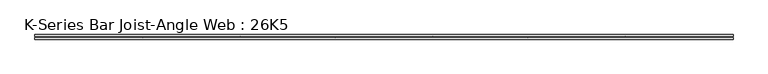
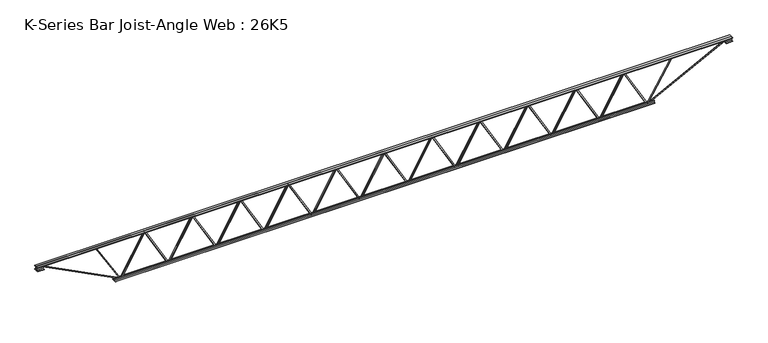
"""IFC4 building model written with IfcOpenShell, lengths in millimetres: beam geometry, K-Series Bar Joist-Angle Web : 26K5."""

import ifcopenshell
import ifcopenshell.guid

model = None  # the IFC model being written
_history = None  # IfcOwnerHistory: only IFC2X3 demands one
_inside = {}  # id of a spatial element -> (the spatial element, [elements in it])
_under = {}  # id of a project, library or spatial element -> (it, [spatial elements below it])
_declared = {}  # id of a project -> (the project, [libraries it declares])
_typed = {}  # id of a type object -> (the type object, [elements of that type])
_made_of = {}  # id of a material, layer set ... -> (it, [elements and type objects made of it])


def new_model(schema):
    """Start an empty IFC model of exactly this schema.

    Asked for "IFC4X3", IfcOpenShell would pick the latest addendum, in which some entities
    have other attributes; the version numbers below select the first issue.
    IFC2X3 requires an IfcOwnerHistory on every rooted entity: one is made here for all.
    """
    global model, _history
    if schema == "IFC4X3":
        model = ifcopenshell.file(schema_version=(4, 3, 0, 0))
    else:
        model = ifcopenshell.file(schema=schema)
    _inside.clear()
    _under.clear()
    _declared.clear()
    _typed.clear()
    _made_of.clear()
    _history = None
    if model.schema == "IFC2X3":
        org = make("IfcOrganization", Name="unknown")
        user = make(
            "IfcPersonAndOrganization",
            ThePerson=make("IfcPerson", FamilyName="unknown"),
            TheOrganization=org,
        )
        app = make(
            "IfcApplication",
            ApplicationDeveloper=org,
            Version="unknown",
            ApplicationFullName="unknown",
            ApplicationIdentifier="unknown",
        )
        _history = make(
            "IfcOwnerHistory",
            OwningUser=user,
            OwningApplication=app,
            ChangeAction="ADDED",
            CreationDate=0,
        )
    return model


def make(cls, **values):
    """One entity of the class cls with the attributes given. An attribute that is None is left unset."""
    return model.create_entity(
        cls, **{name: value for name, value in values.items() if value is not None}
    )


def rooted(cls, **values):
    """An entity with a GlobalId (a new one), such as an element, a storey or a relation."""
    return make(cls, GlobalId=ifcopenshell.guid.new(), OwnerHistory=_history, **values)


def si_unit(unit_type, name, prefix=None):
    """IfcSIUnit, for example si_unit("LENGTHUNIT", "METRE", prefix="MILLI")."""
    return make("IfcSIUnit", UnitType=unit_type, Prefix=prefix, Name=name)


def assignment(units):
    """IfcUnitAssignment: the units of a project."""
    return None if units is None else make("IfcUnitAssignment", Units=units)


def point(xyz):
    """IfcCartesianPoint."""
    return None if xyz is None else make("IfcCartesianPoint", Coordinates=xyz)


def direction(xyz):
    """IfcDirection."""
    return None if xyz is None else make("IfcDirection", DirectionRatios=xyz)


def frame(location, z_axis=None, x_axis=None):
    """IfcAxis2Placement3D, a coordinate frame: its origin and axes. An axis left out is left unset."""
    return make(
        "IfcAxis2Placement3D",
        Location=point(location),
        Axis=direction(z_axis),
        RefDirection=direction(x_axis),
    )


def origin():
    """The frame at (0, 0, 0) with its axes left unset."""
    return frame((0.0, 0.0, 0.0))


def place(relative_to, where):
    """IfcLocalPlacement: puts the frame where relative to a parent placement (None: the world)."""
    return make(
        "IfcLocalPlacement", PlacementRelTo=relative_to, RelativePlacement=where
    )


def context(
    kind, dimensions, precision=None, world=None, true_north=None, identifier=None
):
    """IfcGeometricRepresentationContext, for example the 3D "Model" context."""
    return make(
        "IfcGeometricRepresentationContext",
        ContextIdentifier=identifier,
        ContextType=kind,
        CoordinateSpaceDimension=dimensions,
        Precision=precision,
        WorldCoordinateSystem=world,
        TrueNorth=true_north,
    )


def project(units=None, contexts=None):
    """IfcProject with its units and contexts."""
    return rooted(
        "IfcProject",
        Name="project",
        RepresentationContexts=contexts,
        UnitsInContext=assignment(units),
    )


def spatial(cls, under=None, at=None, **own):
    """A site, building, storey or space (cls), placed at a placement, below another one or the project."""
    s = rooted(cls, ObjectPlacement=at, **own)
    if under is not None:
        _under.setdefault(under.id(), (under, []))[1].append(s)
    return s


def polyline(points):
    """IfcPolyline through the points."""
    return make("IfcPolyline", Points=[point(p) for p in points])


def outline(outer, holes=None, kind="AREA"):
    """IfcArbitraryClosedProfileDef: a profile drawn as a closed curve; with holes, ...WithVoids."""
    if holes is None:
        return make("IfcArbitraryClosedProfileDef", ProfileType=kind, OuterCurve=outer)
    return make(
        "IfcArbitraryProfileDefWithVoids",
        ProfileType=kind,
        OuterCurve=outer,
        InnerCurves=holes,
    )


def extrude(swept, where, along, depth):
    """IfcExtrudedAreaSolid: the profile swept, set in the frame where, extruded along a direction by depth."""
    return make(
        "IfcExtrudedAreaSolid",
        SweptArea=swept,
        Position=where,
        ExtrudedDirection=direction(along),
        Depth=depth,
    )


def faces_of(points, faces, orient=None, outer=None):
    """IfcFace entities. A face is a list of loops; a loop is a list of indices into points, from 0.

    orient and outer hold one flag for each loop. By default every Orientation is true, the
    first loop of a face is its IfcFaceOuterBound and the others are IfcFaceBound.
    """
    made = []
    for i, loops in enumerate(faces):
        bounds = []
        for j, loop in enumerate(loops):
            is_outer = j == 0 if outer is None else outer[i][j]
            bounds.append(
                make(
                    "IfcFaceOuterBound" if is_outer else "IfcFaceBound",
                    Bound=make("IfcPolyLoop", Polygon=[points[k] for k in loop]),
                    Orientation=True if orient is None else orient[i][j],
                )
            )
        made.append(make("IfcFace", Bounds=bounds))
    return made


def faceted_brep(points, faces, orient=None, outer=None, voids=None):
    """IfcFacetedBrep: a solid bounded by flat faces; with voids (closed shells), ...WithVoids."""
    shared = [point(p) for p in points]
    hull = make("IfcClosedShell", CfsFaces=faces_of(shared, faces, orient, outer))
    if voids is None:
        return make("IfcFacetedBrep", Outer=hull)
    return make(
        "IfcFacetedBrepWithVoids",
        Outer=hull,
        Voids=[
            make(cls, CfsFaces=faces_of(shared, fs, o, b)) for cls, fs, o, b in voids
        ],
    )


def shape(context_of_items, identifier, shape_type, items):
    """IfcShapeRepresentation: the items that make up one representation, for example the "Body"."""
    return make(
        "IfcShapeRepresentation",
        ContextOfItems=context_of_items,
        RepresentationIdentifier=identifier,
        RepresentationType=shape_type,
        Items=items,
    )


def source(mapping_origin, context_of_items, identifier, shape_type, items):
    """IfcRepresentationMap: a shape defined once, which mapped items show again and again."""
    return make(
        "IfcRepresentationMap",
        MappingOrigin=mapping_origin,
        MappedRepresentation=shape(context_of_items, identifier, shape_type, items),
    )


def transform(
    local_origin,
    x_axis=None,
    y_axis=None,
    z_axis=None,
    scale=None,
    scale2=None,
    scale3=None,
    uniform=True,
):
    """IfcCartesianTransformationOperator3D, or its non-uniform kind. x_axis, y_axis, z_axis: its Axis1, 2, 3."""
    if uniform:
        return make(
            "IfcCartesianTransformationOperator3D",
            Axis1=direction(x_axis),
            Axis2=direction(y_axis),
            LocalOrigin=point(local_origin),
            Scale=scale,
            Axis3=direction(z_axis),
        )
    return make(
        "IfcCartesianTransformationOperator3DnonUniform",
        Axis1=direction(x_axis),
        Axis2=direction(y_axis),
        LocalOrigin=point(local_origin),
        Scale=scale,
        Axis3=direction(z_axis),
        Scale2=scale2,
        Scale3=scale3,
    )


def mapped(mapping_source, mapping_target):
    """IfcMappedItem: shows the shape of a source again, moved by a transform."""
    return make(
        "IfcMappedItem", MappingSource=mapping_source, MappingTarget=mapping_target
    )


def made_of(thing, what):
    """Note that an element or type object is made of a material, layer set ...; save() writes the relation."""
    if what is not None:
        _made_of.setdefault(what.id(), (what, []))[1].append(thing)
    return thing


def element(
    cls,
    number,
    at=None,
    inside=None,
    cuts=None,
    type_object=None,
    material=None,
    context=None,
    identifier="Body",
    shape_type=None,
    held_by="IfcProductDefinitionShape",
    body=None,
    shapes=None,
    **own,
):
    """One element of the class cls, such as IfcWall. Its Tag is "e" and its number.

    at: its placement. inside: the storey or other place that contains it. cuts: it is an
    opening in that element (IfcRelVoidsElement). A single representation is given by context,
    identifier, shape_type and body (its items); several are given by shapes. held_by: the class
    of the entity that holds the representations. save() writes the other relations.
    """
    e = rooted(cls, Tag="e%d" % number, ObjectPlacement=at, **own)
    if body is not None:
        shapes = [shape(context, identifier, shape_type, body)]
    if shapes is not None:
        e.Representation = make(held_by, Representations=shapes)
    if inside is not None:
        _inside.setdefault(inside.id(), (inside, []))[1].append(e)
    if cuts is not None:
        rooted(
            "IfcRelVoidsElement", RelatingBuildingElement=cuts, RelatedOpeningElement=e
        )
    if type_object is not None:
        _typed.setdefault(type_object.id(), (type_object, []))[1].append(e)
    return made_of(e, material)


def aggregate(whole, parts):
    """IfcRelAggregates: a whole, such as a stair, and the parts it consists of."""
    return rooted("IfcRelAggregates", RelatingObject=whole, RelatedObjects=parts)


def save(model, path):
    """Write the relations noted so far, then the file.

    IfcRelAggregates (storeys below a building ...), IfcRelContainedInSpatialStructure (elements
    in a storey), IfcRelDefinesByType, IfcRelAssociatesMaterial and IfcRelDeclares: one each for
    every whole, place, type object, material and project.
    """
    for whole, parts in _under.values():
        aggregate(whole, parts)
    for where, things in _inside.values():
        rooted(
            "IfcRelContainedInSpatialStructure",
            RelatedElements=things,
            RelatingStructure=where,
        )
    for kind, things in _typed.values():
        rooted("IfcRelDefinesByType", RelatedObjects=things, RelatingType=kind)
    for what, things in _made_of.values():
        rooted("IfcRelAssociatesMaterial", RelatedObjects=things, RelatingMaterial=what)
    for by, libraries in _declared.values():
        rooted("IfcRelDeclares", RelatingContext=by, RelatedDefinitions=libraries)
    model.write(path)


def k_series_bar_joist_angle_web_26k5_4df7e78a(model_context):
    return source(origin(), model_context, "Body", "SolidModel", [
        extrude(outline(polyline([(-4.7625, 4.7625), (-4.7625, 0.0), (-17.4625, 0.0), (-17.4625, 4.7625), (-4.7625, 4.7625)])), frame((3358.1465485, 0.0, -292.1), z_axis=(-0.4972851767959126, 0.0, 0.8675871442910262), x_axis=(0.0, -1.0, 0.0)), (0.0, 0.0, 1.0), 673.3617526),
        extrude(outline(polyline([(-327.025, 3390.0340909), (-307.975, 3390.0340909), (-307.975, 3389.2032583), (327.025, 3025.2328038), (327.025, 3007.0136364), (307.975, 3007.0136364), (307.975, 3014.194469), (-327.025, 3378.1649235), (-327.025, 3390.0340909)])), frame((0.0, 0.0, 0.0), z_axis=(0.0, 1.0, 0.0), x_axis=(0.0, 0.0, 1.0)), (0.0, 0.0, 1.0), 4.7625),
        faceted_brep([(2636.6931818, 0.0, -307.975), (2636.6931818, 0.0, -327.025), (2636.6931818, -4.7625, -327.025), (2636.6931818, -4.7625, -307.975), (2637.5240144, 0.0, -307.975), (3001.494469, 0.0, 327.025), (3019.7136364, 0.0, 327.025), (3019.7136364, 0.0, 307.975), (3012.5328038, 0.0, 307.975), (2648.5623492, 0.0, -327.025), (2648.5623492, -4.7625, -327.025), (2668.5807242, -4.7625, -292.1), (2664.4488405, -4.7625, -289.7316793), (2999.3016586, -4.7625, 294.4683207), (3003.4335424, -4.7625, 292.1), (3012.5328038, -4.7625, 307.975), (3019.7136364, -4.7625, 307.975), (3019.7136364, -4.7625, 327.025), (3001.494469, -4.7625, 327.025), (2637.5240144, -4.7625, -307.975), (3003.4335424, -17.4625, 292.1), (2668.5807242, -17.4625, -292.1), (2664.4488405, -17.4625, -289.7316793), (2999.3016586, -17.4625, 294.4683207)], [[[0, 1, 2, 3]], [[1, 0, 4, 5, 6, 7, 8, 9]], [[2, 1, 9, 10]], [[3, 2, 10, 11, 12, 13, 14, 15, 16, 17, 18, 19]], [[0, 3, 19, 4]], [[9, 8, 15, 14, 20, 21, 11, 10]], [[5, 4, 19, 18]], [[7, 6, 17, 16]], [[8, 7, 16, 15]], [[6, 5, 18, 17]], [[21, 22, 12, 11]], [[20, 14, 13, 23]], [[22, 21, 20, 23]], [[12, 22, 23, 13]]]),
        extrude(outline(polyline([(-4.7625, 4.7625), (-4.7625, 0.0), (-17.4625, 0.0), (-17.4625, 4.7625), (-4.7625, 4.7625)])), frame((2604.8056394, 0.0, -292.1), z_axis=(-0.4972851767959126, 0.0, 0.8675871442910262), x_axis=(0.0, -1.0, 0.0)), (0.0, 0.0, 1.0), 673.3617526),
        extrude(outline(polyline([(-327.025, 2636.6931818), (-307.975, 2636.6931818), (-307.975, 2635.8623492), (327.025, 2271.8918947), (327.025, 2253.6727273), (307.975, 2253.6727273), (307.975, 2260.8535599), (-327.025, 2624.8240144), (-327.025, 2636.6931818)])), frame((0.0, 0.0, 0.0), z_axis=(0.0, 1.0, 0.0), x_axis=(0.0, 0.0, 1.0)), (0.0, 0.0, 1.0), 4.7625),
        faceted_brep([(1883.3522727, 0.0, -307.975), (1883.3522727, 0.0, -327.025), (1883.3522727, -4.7625, -327.025), (1883.3522727, -4.7625, -307.975), (1884.1831053, 0.0, -307.975), (2248.1535599, 0.0, 327.025), (2266.3727273, 0.0, 327.025), (2266.3727273, 0.0, 307.975), (2259.1918947, 0.0, 307.975), (1895.2214401, 0.0, -327.025), (1895.2214401, -4.7625, -327.025), (1915.2398151, -4.7625, -292.1), (1911.1079314, -4.7625, -289.7316793), (2245.9607495, -4.7625, 294.4683207), (2250.0926333, -4.7625, 292.1), (2259.1918947, -4.7625, 307.975), (2266.3727273, -4.7625, 307.975), (2266.3727273, -4.7625, 327.025), (2248.1535599, -4.7625, 327.025), (1884.1831053, -4.7625, -307.975), (2250.0926333, -17.4625, 292.1), (1915.2398151, -17.4625, -292.1), (1911.1079314, -17.4625, -289.7316793), (2245.9607495, -17.4625, 294.4683207)], [[[0, 1, 2, 3]], [[1, 0, 4, 5, 6, 7, 8, 9]], [[2, 1, 9, 10]], [[3, 2, 10, 11, 12, 13, 14, 15, 16, 17, 18, 19]], [[0, 3, 19, 4]], [[9, 8, 15, 14, 20, 21, 11, 10]], [[5, 4, 19, 18]], [[7, 6, 17, 16]], [[8, 7, 16, 15]], [[6, 5, 18, 17]], [[21, 22, 12, 11]], [[20, 14, 13, 23]], [[22, 21, 20, 23]], [[12, 22, 23, 13]]]),
        extrude(outline(polyline([(-4.7625, 4.7625), (-4.7625, 0.0), (-17.4625, 0.0), (-17.4625, 4.7625), (-4.7625, 4.7625)])), frame((1851.4647303, 0.0, -292.1), z_axis=(-0.4972851767959126, 0.0, 0.8675871442910262), x_axis=(0.0, -1.0, 0.0)), (0.0, 0.0, 1.0), 673.3617526),
        extrude(outline(polyline([(-327.025, 1883.3522727), (-307.975, 1883.3522727), (-307.975, 1882.5214401), (327.025, 1518.5509856), (327.025, 1500.3318182), (307.975, 1500.3318182), (307.975, 1507.5126508), (-327.025, 1871.4831053), (-327.025, 1883.3522727)])), frame((0.0, 0.0, 0.0), z_axis=(0.0, 1.0, 0.0), x_axis=(0.0, 0.0, 1.0)), (0.0, 0.0, 1.0), 4.7625),
        faceted_brep([(1130.0113636, 0.0, -307.975), (1130.0113636, 0.0, -327.025), (1130.0113636, -4.7625, -327.025), (1130.0113636, -4.7625, -307.975), (1130.8421962, 0.0, -307.975), (1494.8126508, 0.0, 327.025), (1513.0318182, 0.0, 327.025), (1513.0318182, 0.0, 307.975), (1505.8509856, 0.0, 307.975), (1141.880531, 0.0, -327.025), (1141.880531, -4.7625, -327.025), (1161.898906, -4.7625, -292.1), (1157.7670223, -4.7625, -289.7316793), (1492.6198405, -4.7625, 294.4683207), (1496.7517242, -4.7625, 292.1), (1505.8509856, -4.7625, 307.975), (1513.0318182, -4.7625, 307.975), (1513.0318182, -4.7625, 327.025), (1494.8126508, -4.7625, 327.025), (1130.8421962, -4.7625, -307.975), (1496.7517242, -17.4625, 292.1), (1161.898906, -17.4625, -292.1), (1157.7670223, -17.4625, -289.7316793), (1492.6198405, -17.4625, 294.4683207)], [[[0, 1, 2, 3]], [[1, 0, 4, 5, 6, 7, 8, 9]], [[2, 1, 9, 10]], [[3, 2, 10, 11, 12, 13, 14, 15, 16, 17, 18, 19]], [[0, 3, 19, 4]], [[9, 8, 15, 14, 20, 21, 11, 10]], [[5, 4, 19, 18]], [[7, 6, 17, 16]], [[8, 7, 16, 15]], [[6, 5, 18, 17]], [[21, 22, 12, 11]], [[20, 14, 13, 23]], [[22, 21, 20, 23]], [[12, 22, 23, 13]]]),
        extrude(outline(polyline([(-4.7625, 4.7625), (-4.7625, 0.0), (-17.4625, 0.0), (-17.4625, 4.7625), (-4.7625, 4.7625)])), frame((1098.1238212, 0.0, -292.1), z_axis=(-0.4972851767959126, 0.0, 0.8675871442910262), x_axis=(0.0, -1.0, 0.0)), (0.0, 0.0, 1.0), 673.3617526),
        extrude(outline(polyline([(-327.025, 1130.0113636), (-307.975, 1130.0113636), (-307.975, 1129.180531), (327.025, 765.2100765), (327.025, 746.9909091), (307.975, 746.9909091), (307.975, 754.1717417), (-327.025, 1118.1421962), (-327.025, 1130.0113636)])), frame((0.0, 0.0, 0.0), z_axis=(0.0, 1.0, 0.0), x_axis=(0.0, 0.0, 1.0)), (0.0, 0.0, 1.0), 4.7625),
        faceted_brep([(376.6704545, 0.0, -307.975), (376.6704545, 0.0, -327.025), (376.6704545, -4.7625, -327.025), (376.6704545, -4.7625, -307.975), (377.5012871, 0.0, -307.975), (741.4717417, 0.0, 327.025), (759.6909091, 0.0, 327.025), (759.6909091, 0.0, 307.975), (752.5100765, 0.0, 307.975), (388.539622, 0.0, -327.025), (388.539622, -4.7625, -327.025), (408.557997, -4.7625, -292.1), (404.4261132, -4.7625, -289.7316793), (739.2789314, -4.7625, 294.4683207), (743.4108151, -4.7625, 292.1), (752.5100765, -4.7625, 307.975), (759.6909091, -4.7625, 307.975), (759.6909091, -4.7625, 327.025), (741.4717417, -4.7625, 327.025), (377.5012871, -4.7625, -307.975), (743.4108151, -17.4625, 292.1), (408.557997, -17.4625, -292.1), (404.4261132, -17.4625, -289.7316793), (739.2789314, -17.4625, 294.4683207)], [[[0, 1, 2, 3]], [[1, 0, 4, 5, 6, 7, 8, 9]], [[2, 1, 9, 10]], [[3, 2, 10, 11, 12, 13, 14, 15, 16, 17, 18, 19]], [[0, 3, 19, 4]], [[9, 8, 15, 14, 20, 21, 11, 10]], [[5, 4, 19, 18]], [[7, 6, 17, 16]], [[8, 7, 16, 15]], [[6, 5, 18, 17]], [[21, 22, 12, 11]], [[20, 14, 13, 23]], [[22, 21, 20, 23]], [[12, 22, 23, 13]]]),
        extrude(outline(polyline([(-4.7625, 4.7625), (-4.7625, 0.0), (-17.4625, 0.0), (-17.4625, 4.7625), (-4.7625, 4.7625)])), frame((344.7829121, 0.0, -292.1), z_axis=(-0.4972851767959126, 0.0, 0.8675871442910262), x_axis=(0.0, -1.0, 0.0)), (0.0, 0.0, 1.0), 673.3617526),
        extrude(outline(polyline([(-327.025, 376.6704545), (-307.975, 376.6704545), (-307.975, 375.839622), (327.025, 11.8691674), (327.025, -6.35), (307.975, -6.35), (307.975, 0.8308326), (-327.025, 364.8012871), (-327.025, 376.6704545)])), frame((0.0, 0.0, 0.0), z_axis=(0.0, 1.0, 0.0), x_axis=(0.0, 0.0, 1.0)), (0.0, 0.0, 1.0), 4.7625),
        faceted_brep([(-376.6704545, 0.0, -307.975), (-376.6704545, 0.0, -327.025), (-376.6704545, -4.7625, -327.025), (-376.6704545, -4.7625, -307.975), (-375.839622, 0.0, -307.975), (-11.8691674, 0.0, 327.025), (6.35, 0.0, 327.025), (6.35, 0.0, 307.975), (-0.8308326, 0.0, 307.975), (-364.8012871, 0.0, -327.025), (-364.8012871, -4.7625, -327.025), (-344.7829121, -4.7625, -292.1), (-348.9147959, -4.7625, -289.7316793), (-14.0619777, -4.7625, 294.4683207), (-9.930094, -4.7625, 292.1), (-0.8308326, -4.7625, 307.975), (6.35, -4.7625, 307.975), (6.35, -4.7625, 327.025), (-11.8691674, -4.7625, 327.025), (-375.839622, -4.7625, -307.975), (-9.930094, -17.4625, 292.1), (-344.7829121, -17.4625, -292.1), (-348.9147959, -17.4625, -289.7316793), (-14.0619777, -17.4625, 294.4683207)], [[[0, 1, 2, 3]], [[1, 0, 4, 5, 6, 7, 8, 9]], [[2, 1, 9, 10]], [[3, 2, 10, 11, 12, 13, 14, 15, 16, 17, 18, 19]], [[0, 3, 19, 4]], [[9, 8, 15, 14, 20, 21, 11, 10]], [[5, 4, 19, 18]], [[7, 6, 17, 16]], [[8, 7, 16, 15]], [[6, 5, 18, 17]], [[21, 22, 12, 11]], [[20, 14, 13, 23]], [[22, 21, 20, 23]], [[12, 22, 23, 13]]]),
        extrude(outline(polyline([(-4.7625, 4.7625), (-4.7625, 0.0), (-17.4625, 0.0), (-17.4625, 4.7625), (-4.7625, 4.7625)])), frame((-408.557997, 0.0, -292.1), z_axis=(-0.4972851767959126, 0.0, 0.8675871442910262), x_axis=(0.0, -1.0, 0.0)), (0.0, 0.0, 1.0), 673.3617526),
        extrude(outline(polyline([(-327.025, -376.6704545), (-307.975, -376.6704545), (-307.975, -377.5012871), (327.025, -741.4717417), (327.025, -759.6909091), (307.975, -759.6909091), (307.975, -752.5100765), (-327.025, -388.539622), (-327.025, -376.6704545)])), frame((0.0, 0.0, 0.0), z_axis=(0.0, 1.0, 0.0), x_axis=(0.0, 0.0, 1.0)), (0.0, 0.0, 1.0), 4.7625),
        faceted_brep([(-1130.0113636, 0.0, -307.975), (-1130.0113636, 0.0, -327.025), (-1130.0113636, -4.7625, -327.025), (-1130.0113636, -4.7625, -307.975), (-1129.180531, 0.0, -307.975), (-765.2100765, 0.0, 327.025), (-746.9909091, 0.0, 327.025), (-746.9909091, 0.0, 307.975), (-754.1717417, 0.0, 307.975), (-1118.1421962, 0.0, -327.025), (-1118.1421962, -4.7625, -327.025), (-1098.1238212, -4.7625, -292.1), (-1102.255705, -4.7625, -289.7316793), (-767.4028868, -4.7625, 294.4683207), (-763.271003, -4.7625, 292.1), (-754.1717417, -4.7625, 307.975), (-746.9909091, -4.7625, 307.975), (-746.9909091, -4.7625, 327.025), (-765.2100765, -4.7625, 327.025), (-1129.180531, -4.7625, -307.975), (-763.271003, -17.4625, 292.1), (-1098.1238212, -17.4625, -292.1), (-1102.255705, -17.4625, -289.7316793), (-767.4028868, -17.4625, 294.4683207)], [[[0, 1, 2, 3]], [[1, 0, 4, 5, 6, 7, 8, 9]], [[2, 1, 9, 10]], [[3, 2, 10, 11, 12, 13, 14, 15, 16, 17, 18, 19]], [[0, 3, 19, 4]], [[9, 8, 15, 14, 20, 21, 11, 10]], [[5, 4, 19, 18]], [[7, 6, 17, 16]], [[8, 7, 16, 15]], [[6, 5, 18, 17]], [[21, 22, 12, 11]], [[20, 14, 13, 23]], [[22, 21, 20, 23]], [[12, 22, 23, 13]]]),
        extrude(outline(polyline([(-4.7625, 4.7625), (-4.7625, 0.0), (-17.4625, 0.0), (-17.4625, 4.7625), (-4.7625, 4.7625)])), frame((-1161.898906, 0.0, -292.1), z_axis=(-0.4972851767959126, 0.0, 0.8675871442910262), x_axis=(0.0, -1.0, 0.0)), (0.0, 0.0, 1.0), 673.3617526),
        extrude(outline(polyline([(-327.025, -1130.0113636), (-307.975, -1130.0113636), (-307.975, -1130.8421962), (327.025, -1494.8126508), (327.025, -1513.0318182), (307.975, -1513.0318182), (307.975, -1505.8509856), (-327.025, -1141.880531), (-327.025, -1130.0113636)])), frame((0.0, 0.0, 0.0), z_axis=(0.0, 1.0, 0.0), x_axis=(0.0, 0.0, 1.0)), (0.0, 0.0, 1.0), 4.7625),
        faceted_brep([(-1883.3522727, 0.0, -307.975), (-1883.3522727, 0.0, -327.025), (-1883.3522727, -4.7625, -327.025), (-1883.3522727, -4.7625, -307.975), (-1882.5214401, 0.0, -307.975), (-1518.5509856, 0.0, 327.025), (-1500.3318182, 0.0, 327.025), (-1500.3318182, 0.0, 307.975), (-1507.5126508, 0.0, 307.975), (-1871.4831053, 0.0, -327.025), (-1871.4831053, -4.7625, -327.025), (-1851.4647303, -4.7625, -292.1), (-1855.5966141, -4.7625, -289.7316793), (-1520.7437959, -4.7625, 294.4683207), (-1516.6119121, -4.7625, 292.1), (-1507.5126508, -4.7625, 307.975), (-1500.3318182, -4.7625, 307.975), (-1500.3318182, -4.7625, 327.025), (-1518.5509856, -4.7625, 327.025), (-1882.5214401, -4.7625, -307.975), (-1516.6119121, -17.4625, 292.1), (-1851.4647303, -17.4625, -292.1), (-1855.5966141, -17.4625, -289.7316793), (-1520.7437959, -17.4625, 294.4683207)], [[[0, 1, 2, 3]], [[1, 0, 4, 5, 6, 7, 8, 9]], [[2, 1, 9, 10]], [[3, 2, 10, 11, 12, 13, 14, 15, 16, 17, 18, 19]], [[0, 3, 19, 4]], [[9, 8, 15, 14, 20, 21, 11, 10]], [[5, 4, 19, 18]], [[7, 6, 17, 16]], [[8, 7, 16, 15]], [[6, 5, 18, 17]], [[21, 22, 12, 11]], [[20, 14, 13, 23]], [[22, 21, 20, 23]], [[12, 22, 23, 13]]]),
        extrude(outline(polyline([(-4.7625, 4.7625), (-4.7625, 0.0), (-17.4625, 0.0), (-17.4625, 4.7625), (-4.7625, 4.7625)])), frame((-1915.2398151, 0.0, -292.1), z_axis=(-0.4972851767959126, 0.0, 0.8675871442910262), x_axis=(0.0, -1.0, 0.0)), (0.0, 0.0, 1.0), 673.3617526),
        extrude(outline(polyline([(-327.025, -1883.3522727), (-307.975, -1883.3522727), (-307.975, -1884.1831053), (327.025, -2248.1535599), (327.025, -2266.3727273), (307.975, -2266.3727273), (307.975, -2259.1918947), (-327.025, -1895.2214401), (-327.025, -1883.3522727)])), frame((0.0, 0.0, 0.0), z_axis=(0.0, 1.0, 0.0), x_axis=(0.0, 0.0, 1.0)), (0.0, 0.0, 1.0), 4.7625),
        faceted_brep([(-2636.6931818, 0.0, -307.975), (-2636.6931818, 0.0, -327.025), (-2636.6931818, -4.7625, -327.025), (-2636.6931818, -4.7625, -307.975), (-2635.8623492, 0.0, -307.975), (-2271.8918947, 0.0, 327.025), (-2253.6727273, 0.0, 327.025), (-2253.6727273, 0.0, 307.975), (-2260.8535599, 0.0, 307.975), (-2624.8240144, 0.0, -327.025), (-2624.8240144, -4.7625, -327.025), (-2604.8056394, -4.7625, -292.1), (-2608.9375232, -4.7625, -289.7316793), (-2274.084705, -4.7625, 294.4683207), (-2269.9528212, -4.7625, 292.1), (-2260.8535599, -4.7625, 307.975), (-2253.6727273, -4.7625, 307.975), (-2253.6727273, -4.7625, 327.025), (-2271.8918947, -4.7625, 327.025), (-2635.8623492, -4.7625, -307.975), (-2269.9528212, -17.4625, 292.1), (-2604.8056394, -17.4625, -292.1), (-2608.9375232, -17.4625, -289.7316793), (-2274.084705, -17.4625, 294.4683207)], [[[0, 1, 2, 3]], [[1, 0, 4, 5, 6, 7, 8, 9]], [[2, 1, 9, 10]], [[3, 2, 10, 11, 12, 13, 14, 15, 16, 17, 18, 19]], [[0, 3, 19, 4]], [[9, 8, 15, 14, 20, 21, 11, 10]], [[5, 4, 19, 18]], [[7, 6, 17, 16]], [[8, 7, 16, 15]], [[6, 5, 18, 17]], [[21, 22, 12, 11]], [[20, 14, 13, 23]], [[22, 21, 20, 23]], [[12, 22, 23, 13]]]),
        extrude(outline(polyline([(-4.7625, 4.7625), (-4.7625, 0.0), (-17.4625, 0.0), (-17.4625, 4.7625), (-4.7625, 4.7625)])), frame((-2668.5807242, 0.0, -292.1), z_axis=(-0.4972851767959126, 0.0, 0.8675871442910262), x_axis=(0.0, -1.0, 0.0)), (0.0, 0.0, 1.0), 673.3617526),
        extrude(outline(polyline([(-327.025, -2636.6931818), (-307.975, -2636.6931818), (-307.975, -2637.5240144), (327.025, -3001.494469), (327.025, -3019.7136364), (307.975, -3019.7136364), (307.975, -3012.5328038), (-327.025, -2648.5623492), (-327.025, -2636.6931818)])), frame((0.0, 0.0, 0.0), z_axis=(0.0, 1.0, 0.0), x_axis=(0.0, 0.0, 1.0)), (0.0, 0.0, 1.0), 4.7625),
        faceted_brep([(-3390.0340909, 0.0, -307.975), (-3390.0340909, 0.0, -327.025), (-3390.0340909, -4.7625, -327.025), (-3390.0340909, -4.7625, -307.975), (-3389.2032583, 0.0, -307.975), (-3025.2328038, 0.0, 327.025), (-3007.0136364, 0.0, 327.025), (-3007.0136364, 0.0, 307.975), (-3014.194469, 0.0, 307.975), (-3378.1649235, 0.0, -327.025), (-3378.1649235, -4.7625, -327.025), (-3358.1465485, -4.7625, -292.1), (-3362.2784323, -4.7625, -289.7316793), (-3027.4256141, -4.7625, 294.4683207), (-3023.2937303, -4.7625, 292.1), (-3014.194469, -4.7625, 307.975), (-3007.0136364, -4.7625, 307.975), (-3007.0136364, -4.7625, 327.025), (-3025.2328038, -4.7625, 327.025), (-3389.2032583, -4.7625, -307.975), (-3023.2937303, -17.4625, 292.1), (-3358.1465485, -17.4625, -292.1), (-3362.2784323, -17.4625, -289.7316793), (-3027.4256141, -17.4625, 294.4683207)], [[[0, 1, 2, 3]], [[1, 0, 4, 5, 6, 7, 8, 9]], [[2, 1, 9, 10]], [[3, 2, 10, 11, 12, 13, 14, 15, 16, 17, 18, 19]], [[0, 3, 19, 4]], [[9, 8, 15, 14, 20, 21, 11, 10]], [[5, 4, 19, 18]], [[7, 6, 17, 16]], [[8, 7, 16, 15]], [[6, 5, 18, 17]], [[21, 22, 12, 11]], [[20, 14, 13, 23]], [[22, 21, 20, 23]], [[12, 22, 23, 13]]]),
        extrude(outline(polyline([(-4.7625, 4.7625), (-4.7625, 0.0), (-17.4625, 0.0), (-17.4625, 4.7625), (-4.7625, 4.7625)])), frame((4111.4874576, 0.0, -292.1), z_axis=(-0.4972851767959126, 0.0, 0.8675871442910262), x_axis=(0.0, -1.0, 0.0)), (0.0, 0.0, 1.0), 673.3617526),
        extrude(outline(polyline([(-327.025, 4143.375), (-307.975, 4143.375), (-307.975, 4142.5441674), (327.025, 3778.5737129), (327.025, 3760.3545455), (307.975, 3760.3545455), (307.975, 3767.535378), (-327.025, 4131.5058326), (-327.025, 4143.375)])), frame((0.0, 0.0, 0.0), z_axis=(0.0, 1.0, 0.0), x_axis=(0.0, 0.0, 1.0)), (0.0, 0.0, 1.0), 4.7625),
        faceted_brep([(3390.0340909, 0.0, -307.975), (3390.0340909, 0.0, -327.025), (3390.0340909, -4.7625, -327.025), (3390.0340909, -4.7625, -307.975), (3390.8649235, 0.0, -307.975), (3754.835378, 0.0, 327.025), (3773.0545455, 0.0, 327.025), (3773.0545455, 0.0, 307.975), (3765.8737129, 0.0, 307.975), (3401.9032583, 0.0, -327.025), (3401.9032583, -4.7625, -327.025), (3421.9216333, -4.7625, -292.1), (3417.7897495, -4.7625, -289.7316793), (3752.6425677, -4.7625, 294.4683207), (3756.7744515, -4.7625, 292.1), (3765.8737129, -4.7625, 307.975), (3773.0545455, -4.7625, 307.975), (3773.0545455, -4.7625, 327.025), (3754.835378, -4.7625, 327.025), (3390.8649235, -4.7625, -307.975), (3756.7744515, -17.4625, 292.1), (3421.9216333, -17.4625, -292.1), (3417.7897495, -17.4625, -289.7316793), (3752.6425677, -17.4625, 294.4683207)], [[[0, 1, 2, 3]], [[1, 0, 4, 5, 6, 7, 8, 9]], [[2, 1, 9, 10]], [[3, 2, 10, 11, 12, 13, 14, 15, 16, 17, 18, 19]], [[0, 3, 19, 4]], [[9, 8, 15, 14, 20, 21, 11, 10]], [[5, 4, 19, 18]], [[7, 6, 17, 16]], [[8, 7, 16, 15]], [[6, 5, 18, 17]], [[21, 22, 12, 11]], [[20, 14, 13, 23]], [[22, 21, 20, 23]], [[12, 22, 23, 13]]]),
        extrude(outline(polyline([(-4.7625, 4.7625), (-4.7625, 0.0), (-17.4625, 0.0), (-17.4625, 4.7625), (-4.7625, 4.7625)])), frame((-3421.9216333, 0.0, -292.1), z_axis=(-0.4972851767959126, 0.0, 0.8675871442910262), x_axis=(0.0, -1.0, 0.0)), (0.0, 0.0, 1.0), 673.3617526),
        extrude(outline(polyline([(-327.025, -3390.0340909), (-307.975, -3390.0340909), (-307.975, -3390.8649235), (327.025, -3754.835378), (327.025, -3773.0545455), (307.975, -3773.0545455), (307.975, -3765.8737129), (-327.025, -3401.9032583), (-327.025, -3390.0340909)])), frame((0.0, 0.0, 0.0), z_axis=(0.0, 1.0, 0.0), x_axis=(0.0, 0.0, 1.0)), (0.0, 0.0, 1.0), 4.7625),
        faceted_brep([(-4143.375, 0.0, -307.975), (-4143.375, 0.0, -327.025), (-4143.375, -4.7625, -327.025), (-4143.375, -4.7625, -307.975), (-4142.5441674, 0.0, -307.975), (-3778.5737129, 0.0, 327.025), (-3760.3545455, 0.0, 327.025), (-3760.3545455, 0.0, 307.975), (-3767.535378, 0.0, 307.975), (-4131.5058326, 0.0, -327.025), (-4131.5058326, -4.7625, -327.025), (-4111.4874576, -4.7625, -292.1), (-4115.6193414, -4.7625, -289.7316793), (-3780.7665232, -4.7625, 294.4683207), (-3776.6346394, -4.7625, 292.1), (-3767.535378, -4.7625, 307.975), (-3760.3545455, -4.7625, 307.975), (-3760.3545455, -4.7625, 327.025), (-3778.5737129, -4.7625, 327.025), (-4142.5441674, -4.7625, -307.975), (-3776.6346394, -17.4625, 292.1), (-4111.4874576, -17.4625, -292.1), (-4115.6193414, -17.4625, -289.7316793), (-3780.7665232, -17.4625, 294.4683207)], [[[0, 1, 2, 3]], [[1, 0, 4, 5, 6, 7, 8, 9]], [[2, 1, 9, 10]], [[3, 2, 10, 11, 12, 13, 14, 15, 16, 17, 18, 19]], [[0, 3, 19, 4]], [[9, 8, 15, 14, 20, 21, 11, 10]], [[5, 4, 19, 18]], [[7, 6, 17, 16]], [[8, 7, 16, 15]], [[6, 5, 18, 17]], [[21, 22, 12, 11]], [[20, 14, 13, 23]], [[22, 21, 20, 23]], [[12, 22, 23, 13]]]),
        extrude(outline(polyline([(4.7625, 330.2), (36.5125, 330.2), (36.5125, 323.85), (11.1125, 323.85), (11.1125, 298.45), (4.7625, 298.45), (4.7625, 330.2)])), frame((-5464.175, 0.0, 0.0), z_axis=(1.0, 0.0, 0.0), x_axis=(0.0, 1.0, 0.0)), (0.0, 0.0, 1.0), 10928.35),
        extrude(outline(polyline([(-4.7625, 330.2), (-4.7625, 298.45), (-11.1125, 298.45), (-11.1125, 323.85), (-36.5125, 323.85), (-36.5125, 330.2), (-4.7625, 330.2)])), frame((-5464.175, 0.0, 0.0), z_axis=(1.0, 0.0, 0.0), x_axis=(0.0, 1.0, 0.0)), (0.0, 0.0, 1.0), 10928.35),
        extrude(outline(polyline([(-4.7625, 266.7), (-36.5125, 266.7), (-36.5125, 273.05), (-11.1125, 273.05), (-11.1125, 298.45), (-4.7625, 298.45), (-4.7625, 266.7)])), frame((-5464.175, 0.0, 0.0), z_axis=(1.0, 0.0, 0.0), x_axis=(0.0, 1.0, 0.0)), (0.0, 0.0, 1.0), 101.6),
        extrude(outline(polyline([(36.5125, 266.7), (4.7625, 266.7), (4.7625, 298.45), (11.1125, 298.45), (11.1125, 273.05), (36.5125, 273.05), (36.5125, 266.7)])), frame((-5464.175, 0.0, 0.0), z_axis=(1.0, 0.0, 0.0), x_axis=(0.0, 1.0, 0.0)), (0.0, 0.0, 1.0), 101.6),
        extrude(outline(polyline([(4.7625, 266.7), (4.7625, 298.45), (11.1125, 298.45), (11.1125, 273.05), (36.5125, 273.05), (36.5125, 266.7), (4.7625, 266.7)])), frame((5362.575, 0.0, 0.0), z_axis=(1.0, 0.0, 0.0), x_axis=(0.0, 1.0, 0.0)), (0.0, 0.0, 1.0), 101.6),
        extrude(outline(polyline([(-4.7625, 266.7), (-36.5125, 266.7), (-36.5125, 273.05), (-11.1125, 273.05), (-11.1125, 298.45), (-4.7625, 298.45), (-4.7625, 266.7)])), frame((5362.575, 0.0, 0.0), z_axis=(1.0, 0.0, 0.0), x_axis=(0.0, 1.0, 0.0)), (0.0, 0.0, 1.0), 101.6),
        extrude(outline(polyline([(4.7625, -330.2), (4.7625, -298.45), (11.1125, -298.45), (11.1125, -323.85), (36.5125, -323.85), (36.5125, -330.2), (4.7625, -330.2)])), frame((-4244.975, 0.0, 0.0), z_axis=(1.0, 0.0, 0.0), x_axis=(0.0, 1.0, 0.0)), (0.0, 0.0, 1.0), 8489.95),
        extrude(outline(polyline([(-4.7625, -330.2), (-36.5125, -330.2), (-36.5125, -323.85), (-11.1125, -323.85), (-11.1125, -298.45), (-4.7625, -298.45), (-4.7625, -330.2)])), frame((-4244.975, 0.0, 0.0), z_axis=(1.0, 0.0, 0.0), x_axis=(0.0, 1.0, 0.0)), (0.0, 0.0, 1.0), 8489.95),
        extrude(outline(polyline([(4.7625, 4.7625001), (4.7625, -4.7625001), (-4.7625, -4.7625001), (-4.7625, 4.7625001), (4.7625, 4.7625001)])), frame((4143.375, 0.0, -323.85), z_axis=(0.5178179638892854, 0.0, 0.8554908276969162), x_axis=(0.0, -1.0, 0.0)), (0.0, 0.0, 1.0), 727.4186699),
        extrude(outline(polyline([(4.7625, 4.7625001), (4.7625, -4.7625001), (-4.7625, -4.7625001), (-4.7625, 4.7625001), (4.7625, 4.7625001)])), frame((-4143.375, 0.0, -323.85), z_axis=(-0.5178179638892675, 0.0, 0.8554908276969271), x_axis=(0.0, -1.0, 0.0)), (0.0, 0.0, 1.0), 727.4186699),
        extrude(outline(polyline([(0.0, -9.525), (0.0, 0.0), (1368.8337847, 0.0), (1368.8337847, -9.525), (0.0, -9.525)])), frame((5364.7401305, -4.7625, 294.2081117), z_axis=(-0.45462057335079453, 0.0, 0.8906852049328062), x_axis=(-0.8906852049328062, 0.0, -0.45462057335079453)), (0.0, 0.0, 1.0), 9.525),
        extrude(outline(polyline([(0.0, -9.525), (0.0, 0.0), (1368.8337847, 0.0), (1368.8337847, -9.525), (0.0, -9.525)])), frame((-5364.7401305, 4.7625, 294.2081117), z_axis=(0.4546205733507945, 0.0, 0.8906852049328061), x_axis=(0.8906852049328061, 0.0, -0.4546205733507945)), (0.0, 0.0, 1.0), 9.525),
    ])


if __name__ == "__main__":
    model = new_model("IFC4")
    model_context = context("Model", 3, world=origin())
    ifc_project = project(units=[si_unit("LENGTHUNIT", "METRE", prefix="MILLI")], contexts=[model_context])
    site = spatial("IfcSite", under=ifc_project)
    building = spatial("IfcBuilding", under=site)
    placement = place(None, origin())
    k_series_bar_joist_angle_web_26k5_shape = k_series_bar_joist_angle_web_26k5_4df7e78a(model_context)
    element("IfcBeam", 1, ObjectType="K-Series Bar Joist-Angle Web : 26K5", at=placement, inside=building, context=model_context, shape_type="MappedRepresentation", body=[
        mapped(k_series_bar_joist_angle_web_26k5_shape, transform((0.0, 0.0, 0.0), x_axis=(1.0, 0.0, 0.0), y_axis=(0.0, 1.0, 0.0), z_axis=(0.0, 0.0, 1.0))),
    ])
    save(model, "model.ifc")
